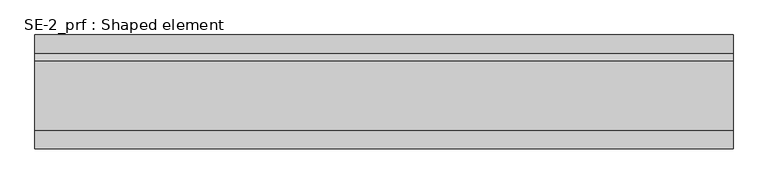
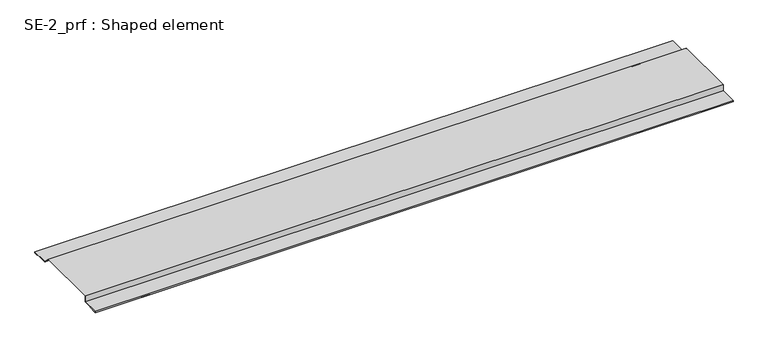
"""IFC4 building model written with IfcOpenShell, lengths in millimetres: proxy geometry, SE-2_prf : Shaped element."""

from ifc_helpers import new_model, si_unit, frame, origin, place, context, project, spatial, polyline, outline, extrude, source, transform, mapped, element, save


def se_2_prf_shaped_element_36ce0f99(model_context):
    return source(origin(), model_context, "Body", "SweptSolid", [
        extrude(outline(polyline([(99.5857864, 4.0), (84.5857864, 19.0), (-64.0, 19.0), (-64.0, 4.0), (-104.0, 4.0), (-104.0, 3.0), (-95.0, 3.0), (-95.0, 2.0), (-105.0, 2.0), (-105.0, 5.0), (-65.0, 5.0), (-65.0, 20.0), (85.0, 20.0), (100.0, 5.0), (140.0, 5.0), (140.0, 2.0), (130.0, 2.0), (130.0, 3.0), (139.0, 3.0), (139.0, 4.0), (99.5857864, 4.0)])), frame((0.0, 0.0, 0.0), z_axis=(1.0, 0.0, 0.0), x_axis=(0.0, 1.0, 0.0)), (0.0, 0.0, 1.0), 1500.0),
    ])


if __name__ == "__main__":
    model = new_model("IFC4")
    model_context = context("Model", 3, world=origin())
    ifc_project = project(units=[si_unit("LENGTHUNIT", "METRE", prefix="MILLI")], contexts=[model_context])
    site = spatial("IfcSite", under=ifc_project)
    building = spatial("IfcBuilding", under=site)
    placement = place(None, origin())
    se_2_prf_shaped_element_shape = se_2_prf_shaped_element_36ce0f99(model_context)
    element("IfcBuildingElementProxy", 1, Name="SE-2_prf : Shaped element", ObjectType="SE-2_prf : Shaped element", at=placement, inside=building, context=model_context, shape_type="MappedRepresentation", body=[
        mapped(se_2_prf_shaped_element_shape, transform((0.0, 0.0, 0.0), x_axis=(1.0, 0.0, 0.0), y_axis=(0.0, 1.0, 0.0), z_axis=(0.0, 0.0, 1.0))),
    ])
    save(model, "model.ifc")
